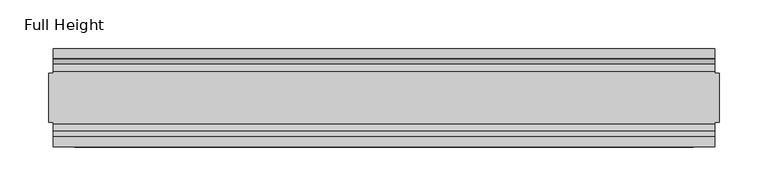
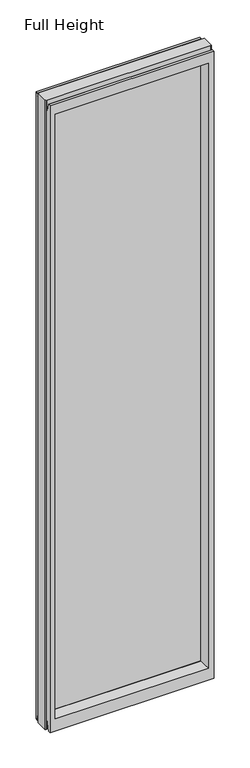
"""IFC4 building model written with IfcOpenShell, lengths in millimetres: plate geometry, Full Height."""

from ifc_helpers import new_model, si_unit, frame, origin, place, context, project, spatial, polyline, circle_curve, outline, extrude, source, transform, mapped, element, save
from ifc_brep_helpers import plane_surface, cylinder_surface, revolved_surface, advanced_brep


def full_height_0608eb54(model_context):
    return source(origin(), model_context, "Body", "SolidModel", [
        advanced_brep(
        [(342.9, 25.146, 2743.2), (338.328, 25.146, 2743.2), (338.328, 26.67, 2743.2), (-338.328, 26.67, 2743.2), (-338.328, 25.146, 2743.2), (-342.9, 25.146, 2743.2), (-342.9, -25.146, 2743.2), (-338.328, -25.146, 2743.2), (-338.328, -26.67, 2743.2), (338.328, -26.67, 2743.2), (338.328, -25.146, 2743.2), (342.9, -25.146, 2743.2), (342.9, 25.146, 0.0), (342.9, -25.146, 0.0), (338.328, -25.146, 0.0), (338.328, -26.67, 0.0), (-338.328, -26.67, 0.0), (-338.328, -25.146, 0.0), (-342.9, -25.146, 0.0), (-342.9, 25.146, 0.0), (-338.328, 25.146, 0.0), (-338.328, 26.67, 0.0), (338.328, 26.67, 0.0), (338.328, 25.146, 0.0), (-338.328, 40.7946686, 0.0), (-338.328, 50.0, 0.0), (338.328, 50.0, 0.0), (338.328, 40.7946686, 0.0), (-338.328, 26.67, 36.4542208), (338.328, 26.67, 36.4542208), (-338.328, -26.67, 36.4542208), (-338.328, -34.2686707, 36.8568054), (-338.328, -36.9464913, 11.6561909), (-338.328, -39.043018, 8.6755976), (-338.328, -39.5246686, 7.9074686), (-338.328, -39.5246686, 1.27), (-338.328, -40.7946686, 0.0), (-338.328, -50.0, 0.0), (-338.328, -50.0, 2734.056), (-338.328, -39.9371387, 2734.056), (-338.328, -39.1867152, 2733.4263199), (-338.328, -34.2321175, 2705.3274004), (-338.328, -26.67, 2705.989), (-338.328, 39.5246686, 1.27), (-338.328, 39.5246686, 7.9074686), (-338.328, 39.043018, 8.6755976), (-338.328, 36.9464913, 11.6561909), (-338.328, 34.2686707, 36.8568054), (-338.328, 26.67, 2705.989), (-338.328, 34.2321175, 2705.3274004), (-338.328, 39.1867152, 2733.4263199), (-338.328, 39.9371387, 2734.056), (-338.328, 50.0, 2734.056), (338.328, -50.0, 0.0), (338.328, -50.0, 2734.056), (-316.23, -50.0, 2689.479), (316.23, -50.0, 2689.479), (316.23, -50.0, 52.8372208), (-316.23, -50.0, 52.8372208), (338.328, 50.0, 2734.056), (-316.23, 50.0, 52.8372208), (316.23, 50.0, 52.8372208), (316.23, 50.0, 2689.479), (-316.23, 50.0, 2689.479), (-310.261, -6.1006519, 58.8062208), (-310.261, -6.1006519, 2683.51), (-310.261, 6.1006519, 2683.51), (-310.261, 6.1006519, 58.8062208), (310.261, 6.1006519, 58.8062208), (310.261, 6.1006519, 2683.51), (310.261, -6.1006519, 2683.51), (310.261, -6.1006519, 58.8062208), (338.328, -40.7946686, 0.0), (338.328, -39.5246686, 1.27), (338.328, -39.5246686, 7.9074686), (338.328, -39.043018, 8.6755976), (338.328, -36.9464913, 11.6561909), (338.328, -34.2686707, 36.8568054), (338.328, -26.67, 36.4542208), (338.328, -26.67, 2705.989), (338.328, -34.2321175, 2705.3274004), (338.328, -39.1867152, 2733.4263199), (338.328, -39.9371387, 2734.056), (338.328, 39.9371387, 2734.056), (338.328, 39.1867152, 2733.4263199), (338.328, 34.2321175, 2705.3274004), (338.328, 26.67, 2705.989), (338.328, 34.2686707, 36.8568054), (338.328, 36.9464913, 11.6561909), (338.328, 39.043018, 8.6755976), (338.328, 39.5246686, 7.9074686), (338.328, 39.5246686, 1.27)],
        [
            (0, 1),
            (1, 2),
            (2, 3),
            (3, 4),
            (4, 5),
            (5, 6),
            (6, 7),
            (7, 8),
            (8, 9),
            (9, 10),
            (10, 11),
            (11, 0),
            (12, 13),
            (13, 14),
            (14, 15),
            (15, 16),
            (16, 17),
            (17, 18),
            (18, 19),
            (19, 20),
            (20, 21),
            (21, 22),
            (22, 23),
            (23, 12),
            (23, 1),
            (0, 12),
            (10, 14),
            (13, 11),
            (5, 19),
            (18, 6),
            (17, 7),
            (4, 20),
            (24, 25),
            (25, 26),
            (26, 27),
            (27, 24),
            (21, 28),
            (28, 29),
            (29, 22),
            (16, 30),
            (30, 31, circle_curve(frame((-338.328, -30.48, 36.4542208), z_axis=(1.0, 0.0, 0.0), x_axis=(0.0, -1.0, 0.0)), 3.81)),
            (31, 32),
            (32, 33, circle_curve(frame((-338.328, -40.6770502, 12.0526006), z_axis=(-1.0, 0.0, 0.0), x_axis=(0.0, -1.0, 0.0)), 3.751561)),
            (33, 34, circle_curve(frame((-338.328, -38.671343, 7.9074686), z_axis=(1.0, 0.0, 0.0), x_axis=(0.0, -1.0, 0.0)), 0.8533256)),
            (34, 35),
            (35, 36, circle_curve(frame((-338.328, -40.7946686, 1.27), z_axis=(-1.0, 0.0, 0.0), x_axis=(0.0, -1.0, 0.0)), 1.27)),
            (36, 37),
            (37, 38),
            (38, 39),
            (39, 40, circle_curve(frame((-338.328, -39.9371387, 2733.294), z_axis=(-1.0, 0.0, 0.0), x_axis=(0.0, -1.0, 0.0)), 0.762)),
            (40, 41),
            (41, 42, circle_curve(frame((-338.328, -30.48, 2705.989), z_axis=(1.0, 0.0, 0.0), x_axis=(0.0, -1.0, 0.0)), 3.81)),
            (42, 8),
            (24, 43, circle_curve(frame((-338.328, 40.7946686, 1.27), z_axis=(-1.0, 0.0, 0.0), x_axis=(0.0, -1.0, 0.0)), 1.27)),
            (43, 44),
            (44, 45, circle_curve(frame((-338.328, 38.671343, 7.9074686), z_axis=(1.0, 0.0, 0.0), x_axis=(0.0, -1.0, 0.0)), 0.8533256)),
            (45, 46, circle_curve(frame((-338.328, 40.6770502, 12.0526006), z_axis=(-1.0, 0.0, 0.0), x_axis=(0.0, -1.0, 0.0)), 3.751561)),
            (46, 47),
            (47, 28, circle_curve(frame((-338.328, 30.48, 36.4542208), z_axis=(1.0, 0.0, 0.0), x_axis=(0.0, -1.0, 0.0)), 3.81)),
            (3, 48),
            (48, 49, circle_curve(frame((-338.328, 30.48, 2705.989), z_axis=(1.0, 0.0, 0.0), x_axis=(0.0, -1.0, 0.0)), 3.81)),
            (49, 50),
            (50, 51, circle_curve(frame((-338.328, 39.9371387, 2733.294), z_axis=(-1.0, 0.0, 0.0), x_axis=(0.0, -1.0, 0.0)), 0.762)),
            (51, 52),
            (52, 25),
            (37, 53),
            (53, 54),
            (54, 38),
            (55, 56),
            (56, 57),
            (57, 58),
            (58, 55),
            (52, 59),
            (59, 26),
            (60, 61),
            (61, 62),
            (62, 63),
            (63, 60),
            (58, 64),
            (64, 65),
            (65, 55),
            (63, 66),
            (66, 67),
            (67, 60),
            (61, 68),
            (68, 69),
            (69, 62),
            (70, 71),
            (71, 57),
            (56, 70),
            (53, 72),
            (72, 73, circle_curve(frame((338.328, -40.7946686, 1.27), z_axis=(1.0, 0.0, 0.0), x_axis=(0.0, -1.0, 0.0)), 1.27)),
            (73, 74),
            (74, 75, circle_curve(frame((338.328, -38.671343, 7.9074686), z_axis=(-1.0, 0.0, 0.0), x_axis=(0.0, -1.0, 0.0)), 0.8533256)),
            (75, 76, circle_curve(frame((338.328, -40.6770502, 12.0526006), z_axis=(1.0, 0.0, 0.0), x_axis=(0.0, -1.0, 0.0)), 3.751561)),
            (76, 77),
            (77, 78, circle_curve(frame((338.328, -30.48, 36.4542208), z_axis=(-1.0, 0.0, 0.0), x_axis=(0.0, -1.0, 0.0)), 3.81)),
            (78, 15),
            (9, 79),
            (79, 80, circle_curve(frame((338.328, -30.48, 2705.989), z_axis=(-1.0, 0.0, 0.0), x_axis=(0.0, -1.0, 0.0)), 3.81)),
            (80, 81),
            (81, 82, circle_curve(frame((338.328, -39.9371387, 2733.294), z_axis=(1.0, 0.0, 0.0), x_axis=(0.0, -1.0, 0.0)), 0.762)),
            (82, 54),
            (59, 83),
            (83, 84, circle_curve(frame((338.328, 39.9371387, 2733.294), z_axis=(1.0, 0.0, 0.0), x_axis=(0.0, -1.0, 0.0)), 0.762)),
            (84, 85),
            (85, 86, circle_curve(frame((338.328, 30.48, 2705.989), z_axis=(-1.0, 0.0, 0.0), x_axis=(0.0, -1.0, 0.0)), 3.81)),
            (86, 2),
            (29, 87, circle_curve(frame((338.328, 30.48, 36.4542208), z_axis=(-1.0, 0.0, 0.0), x_axis=(0.0, -1.0, 0.0)), 3.81)),
            (87, 88),
            (88, 89, circle_curve(frame((338.328, 40.6770502, 12.0526006), z_axis=(1.0, 0.0, 0.0), x_axis=(0.0, -1.0, 0.0)), 3.751561)),
            (89, 90, circle_curve(frame((338.328, 38.671343, 7.9074686), z_axis=(-1.0, 0.0, 0.0), x_axis=(0.0, -1.0, 0.0)), 0.8533256)),
            (90, 91),
            (91, 27, circle_curve(frame((338.328, 40.7946686, 1.27), z_axis=(1.0, 0.0, 0.0), x_axis=(0.0, -1.0, 0.0)), 1.27)),
            (91, 43),
            (90, 44),
            (89, 45),
            (88, 46),
            (87, 47),
            (78, 30),
            (31, 77),
            (76, 32),
            (75, 33),
            (74, 34),
            (73, 35),
            (72, 36),
            (71, 64),
            (67, 68),
            (86, 48),
            (85, 49),
            (84, 50),
            (83, 51),
            (69, 66),
            (65, 70),
            (82, 39),
            (81, 40),
            (80, 41),
            (79, 42),
            (65, 66),
            (69, 70),
            (71, 68),
            (67, 64),
        ],
        [
            plane_surface(frame((338.328, 25.146, 2743.2), z_axis=(0.0, 0.0, 1.0), x_axis=(-1.0, 0.0, 0.0))),
            plane_surface(frame((338.328, 25.146, 0.0), z_axis=(0.0, 0.0, -1.0), x_axis=(1.0, 0.0, 0.0))),
            plane_surface(frame((342.9, 25.146, 2743.2), z_axis=(0.0, 1.0, 0.0), x_axis=(0.0, 0.0, -1.0))),
            plane_surface(frame((338.328, -25.146, 2743.2), z_axis=(0.0, -1.0, 0.0), x_axis=(0.0, 0.0, -1.0))),
            plane_surface(frame((342.9, -25.146, 2743.2), z_axis=(1.0, 0.0, 0.0), x_axis=(0.0, 0.0, -1.0))),
            plane_surface(frame((-342.9, 25.146, 2743.2), z_axis=(-1.0, 0.0, 0.0), x_axis=(0.0, 0.0, -1.0))),
            plane_surface(frame((-342.9, -25.146, 2743.2), z_axis=(0.0, -1.0, 0.0), x_axis=(0.0, 0.0, -1.0))),
            plane_surface(frame((-338.328, 25.146, 2743.2), z_axis=(0.0, 1.0, 0.0), x_axis=(0.0, 0.0, -1.0))),
            plane_surface(frame((-338.328, 50.0, 0.0), z_axis=(0.0, 0.0, -1.0), x_axis=(1.0, 0.0, 0.0))),
            plane_surface(frame((-338.328, 26.67, 36.4542208), z_axis=(0.0, 1.0, 0.0), x_axis=(1.0, 0.0, 0.0))),
            plane_surface(frame((-338.328, 50.0, 2701.2646), z_axis=(-1.0, 0.0, 0.0), x_axis=(0.0, 0.0, -1.0))),
            plane_surface(frame((-338.328, -50.0, 2701.2646), z_axis=(0.0, -1.0, 0.0), x_axis=(0.0, 0.0, -1.0))),
            plane_surface(frame((-316.23, 50.0, 2701.2646), z_axis=(0.0, 1.0, 0.0), x_axis=(0.0, 0.0, -1.0))),
            plane_surface(frame((-316.23, -50.0, 2701.2646), z_axis=(0.9908822943533606, -0.13473039277393942, 0.0), x_axis=(0.0, 0.0, -1.0))),
            plane_surface(frame((-310.261, 6.1006519, 2701.2646), z_axis=(0.9908822943533612, 0.13473039277393595, 0.0), x_axis=(0.0, 0.0, -1.0))),
            plane_surface(frame((316.23, 50.0, 2701.2646), z_axis=(-0.9908822943533605, 0.1347303927739403, 0.0), x_axis=(0.0, 0.0, -1.0))),
            plane_surface(frame((310.261, -6.1006519, 2701.2646), z_axis=(-0.9908822943533563, -0.13473039277397156, 0.0), x_axis=(0.0, 0.0, -1.0))),
            plane_surface(frame((338.328, -50.0, 2701.2646), z_axis=(1.0, 0.0, 0.0), x_axis=(0.0, 0.0, -1.0))),
            cylinder_surface(frame((338.328, 40.7946686, 1.27), z_axis=(-1.0, 0.0, 0.0), x_axis=(0.0, -1.0, 0.0)), 1.27),
            plane_surface(frame((-338.328, 39.5246686, 1.27), z_axis=(0.0, -1.0, 0.0), x_axis=(1.0, 0.0, 0.0))),
            revolved_surface(polyline([(338.328, 37.8180174, 7.9074686), (-338.328, 37.8180174, 7.9074686)]), (338.328, 38.671343, 7.9074686), (1.0, 0.0, 0.0)),
            cylinder_surface(frame((338.328, 40.6770502, 12.0526006), z_axis=(-1.0, 0.0, 0.0), x_axis=(0.0, -1.0, 0.0)), 3.751561),
            plane_surface(frame((-338.328, 36.9464913, 11.6561909), z_axis=(0.0, -0.994401756086667, -0.10566526151840436), x_axis=(1.0, 0.0, 0.0))),
            plane_surface(frame((-338.328, -26.67, 0.0), z_axis=(0.0, -1.0, 0.0), x_axis=(1.0, 0.0, 0.0))),
            plane_surface(frame((-338.328, -34.2686707, 36.8568054), z_axis=(0.0, 0.9944017560866222, -0.10566526151882638), x_axis=(1.0, 0.0, 0.0))),
            cylinder_surface(frame((338.328, -40.6770502, 12.0526006), z_axis=(-1.0, 0.0, 0.0), x_axis=(0.0, -1.0, 0.0)), 3.751561),
            revolved_surface(polyline([(338.328, -39.5246686, 7.9074686), (-338.328, -39.5246686, 7.9074686)]), (338.328, -38.671343, 7.9074686), (1.0, 0.0, 0.0)),
            plane_surface(frame((-338.328, -39.5246686, 7.9074686), z_axis=(0.0, 1.0, 0.0), x_axis=(1.0, 0.0, 0.0))),
            cylinder_surface(frame((338.328, -40.7946686, 1.27), z_axis=(-1.0, 0.0, 0.0), x_axis=(0.0, -1.0, 0.0)), 1.27),
            plane_surface(frame((-338.328, -40.7946686, 0.0), z_axis=(0.0, 0.0, -1.0), x_axis=(1.0, 0.0, 0.0))),
            plane_surface(frame((-338.328, -50.0, 52.8372208), z_axis=(0.0, -0.13473039277394738, 0.9908822943533596), x_axis=(1.0, 0.0, 0.0))),
            plane_surface(frame((-338.328, 6.1006519, 58.8062208), z_axis=(0.0, 0.13473039277399934, 0.9908822943533526), x_axis=(1.0, 0.0, 0.0))),
            revolved_surface(polyline([(338.328, 26.67, 36.4542208), (-338.328, 26.67, 36.4542208)]), (338.328, 30.48, 36.4542208), (1.0, 0.0, 0.0)),
            revolved_surface(polyline([(338.328, -34.29, 36.4542208), (-338.328, -34.29, 36.4542208)]), (338.328, -30.48, 36.4542208), (1.0, 0.0, 0.0)),
            plane_surface(frame((-338.328, 26.67, 2743.2), z_axis=(0.0, 1.0, 0.0), x_axis=(1.0, 0.0, 0.0))),
            revolved_surface(polyline([(338.328, 26.67, 2705.989), (-338.328, 26.67, 2705.989)]), (-342.9, 30.48, 2705.989), (1.0, 0.0, 0.0)),
            plane_surface(frame((-338.328, 34.2321175, 2705.3274004), z_axis=(0.0, -0.9848077530113106, 0.17364817767201993), x_axis=(1.0, 0.0, 0.0))),
            cylinder_surface(frame((-342.9, 39.9371387, 2733.294), z_axis=(-1.0, 0.0, 0.0), x_axis=(0.0, -1.0, 0.0)), 0.762),
            plane_surface(frame((-338.328, 39.9371387, 2734.056), z_axis=(0.0, 0.0, 1.0), x_axis=(1.0, 0.0, 0.0))),
            plane_surface(frame((-338.328, 50.0, 2689.479), z_axis=(0.0, 0.1347303927734499, -0.9908822943534272), x_axis=(1.0, 0.0, 0.0))),
            plane_surface(frame((-338.328, -6.1006519, 2683.51), z_axis=(0.0, -0.1347303927724766, -0.9908822943535597), x_axis=(1.0, 0.0, 0.0))),
            plane_surface(frame((-338.328, -50.0, 2734.056), z_axis=(0.0, 0.0, 1.0), x_axis=(1.0, 0.0, 0.0))),
            cylinder_surface(frame((-342.9, -39.9371387, 2733.294), z_axis=(-1.0, 0.0, 0.0), x_axis=(0.0, -1.0, 0.0)), 0.762),
            plane_surface(frame((-338.328, -39.1867152, 2733.4263199), z_axis=(0.0, 0.984807753010382, 0.17364817767728657), x_axis=(1.0, 0.0, 0.0))),
            revolved_surface(polyline([(338.328, -34.29, 2705.989), (-338.328, -34.29, 2705.989)]), (-342.9, -30.48, 2705.989), (1.0, 0.0, 0.0)),
            plane_surface(frame((-338.328, -26.67, 2705.989), z_axis=(0.0, -1.0, 0.0), x_axis=(1.0, 0.0, 0.0))),
            plane_surface(frame((-338.328, 6.1006519, 2683.51), z_axis=(0.0, 0.0, -1.0), x_axis=(1.0, 0.0, 0.0))),
            plane_surface(frame((-338.328, -6.1006519, 58.8062208), z_axis=(0.0, 0.0, 1.0), x_axis=(1.0, 0.0, 0.0))),
            plane_surface(frame((-310.261, -6.1006519, 2701.2646), z_axis=(1.0, 0.0, 0.0), x_axis=(0.0, 0.0, -1.0))),
            plane_surface(frame((310.261, 6.1006519, 2701.2646), z_axis=(-1.0, 0.0, 0.0), x_axis=(0.0, 0.0, -1.0))),
        ],
        [
            (0, [[1, 2, 3, 4, 5, 6, 7, 8, 9, 10, 11, 12]]),
            (1, [[13, 14, 15, 16, 17, 18, 19, 20, 21, 22, 23, 24]]),
            (2, [[25, -1, 26, -24]]),
            (3, [[-11, 27, -14, 28]]),
            (4, [[-12, -28, -13, -26]]),
            (5, [[-6, 29, -19, 30]]),
            (6, [[31, -7, -30, -18]]),
            (7, [[-5, 32, -20, -29]]),
            (8, [[33, 34, 35, 36]]),
            (9, [[37, 38, 39, -22]]),
            (10, [[-17, 40, 41, 42, 43, 44, 45, 46, 47, 48, 49, 50, 51, 52, 53, -8, -31]]),
            (10, [[-33, 54, 55, 56, 57, 58, 59, -37, -21, -32, -4, 60, 61, 62, 63, 64, 65]]),
            (11, [[-48, 66, 67, 68], [69, 70, 71, 72]]),
            (12, [[-65, 73, 74, -34], [75, 76, 77, 78]]),
            (13, [[-72, 79, 80, 81]]),
            (14, [[-78, 82, 83, 84]]),
            (15, [[-76, 85, 86, 87]]),
            (16, [[88, 89, -70, 90]]),
            (17, [[-67, 91, 92, 93, 94, 95, 96, 97, 98, -15, -27, -10, 99, 100, 101, 102, 103]]),
            (17, [[-74, 104, 105, 106, 107, 108, -2, -25, -23, -39, 109, 110, 111, 112, 113, 114, -35]]),
            (18, [[-54, -36, -114, 115]]),
            (19, [[-55, -115, -113, 116]]),
            (20, [[-56, -116, -112, 117]]),
            (21, [[-57, -117, -111, 118]]),
            (22, [[-58, -118, -110, 119]]),
            (23, [[-40, -16, -98, 120]]),
            (24, [[-42, 121, -96, 122]]),
            (25, [[-43, -122, -95, 123]]),
            (26, [[-44, -123, -94, 124]]),
            (27, [[-45, -124, -93, 125]]),
            (28, [[-46, -125, -92, 126]]),
            (29, [[-47, -126, -91, -66]]),
            (30, [[-71, -89, 127, -79]]),
            (31, [[-75, -84, 128, -85]]),
            (32, [[-59, -119, -109, -38]]),
            (33, [[-41, -120, -97, -121]]),
            (34, [[-60, -3, -108, 129]]),
            (35, [[-61, -129, -107, 130]]),
            (36, [[-62, -130, -106, 131]]),
            (37, [[-63, -131, -105, 132]]),
            (38, [[-64, -132, -104, -73]]),
            (39, [[-77, -87, 133, -82]]),
            (40, [[-69, -81, 134, -90]]),
            (41, [[-49, -68, -103, 135]]),
            (42, [[-50, -135, -102, 136]]),
            (43, [[-51, -136, -101, 137]]),
            (44, [[-52, -137, -100, 138]]),
            (45, [[-53, -138, -99, -9]]),
            (46, [[-134, 139, -133, 140]]),
            (47, [[-127, 141, -128, 142]]),
            (48, [[-83, -139, -80, -142]]),
            (49, [[-88, -140, -86, -141]]),
        ],
    ),
        extrude(outline(polyline([(-310.261, 4.826), (310.261, 4.826), (310.261, -4.826), (-310.261, -4.826), (-310.261, 4.826)])), frame((0.0, 0.0, 58.8062208), z_axis=(0.0, 0.0, 1.0), x_axis=(1.0, 0.0, 0.0)), (0.0, 0.0, 1.0), 2624.7037792),
    ])


if __name__ == "__main__":
    model = new_model("IFC4")
    model_context = context("Model", 3, world=origin())
    ifc_project = project(units=[si_unit("LENGTHUNIT", "METRE", prefix="MILLI")], contexts=[model_context])
    site = spatial("IfcSite", under=ifc_project)
    building = spatial("IfcBuilding", under=site)
    placement = place(None, origin())
    full_height_shape = full_height_0608eb54(model_context)
    element("IfcPlate", 1, ObjectType="Full Height", at=placement, inside=building, context=model_context, shape_type="MappedRepresentation", body=[
        mapped(full_height_shape, transform((0.0, 0.0, 0.0), x_axis=(1.0, 0.0, 0.0), y_axis=(0.0, 1.0, 0.0), z_axis=(0.0, 0.0, 1.0))),
    ])
    save(model, "model.ifc")
